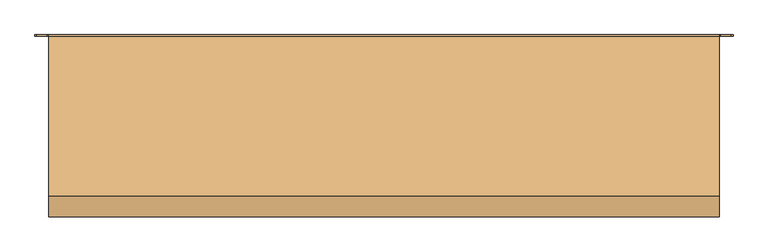
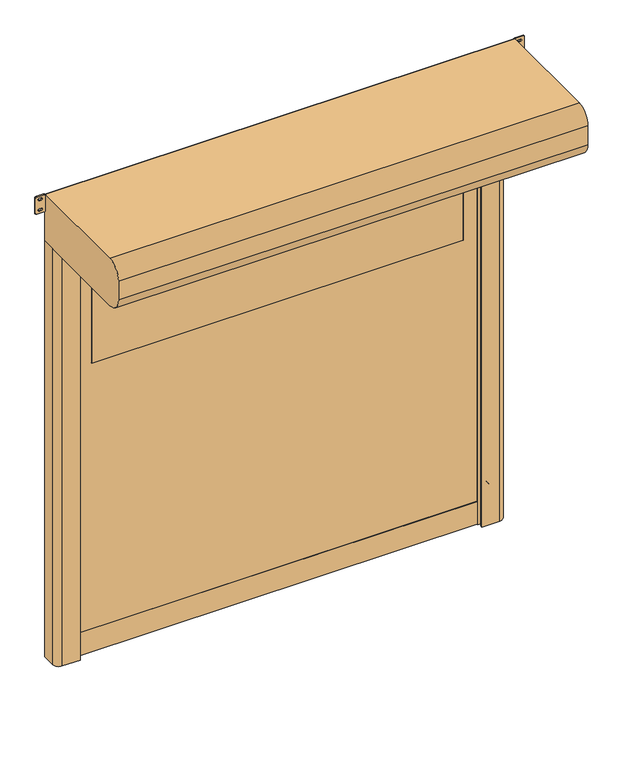
"""IFC4 building model written with IfcOpenShell, lengths in millimetres: door geometry."""

from ifc_helpers import new_model, si_unit, point, frame, frame_2d, origin, origin_with_axes, place, context, project, spatial, polyline, circle_curve, trimmed, segment, composite_curve, outline, extrude, source, transform, mapped, element, save


def door_111b3a7b(model_context):
    return source(origin(), model_context, "Body", "SweptSolid", [
        extrude(outline(composite_curve([segment(trimmed(circle_curve(frame_2d((1416.6666667, 1064.0)), 6.0), [point((1422.6666667, 1064.0))], [point((1410.6666667, 1064.0))], False, "CARTESIAN"), True, "CONTINUOUS"), segment(polyline([(1410.6666667, 1064.0), (1410.6666667, 1082.0)]), True, "CONTINUOUS"), segment(trimmed(circle_curve(frame_2d((1416.6666667, 1082.0)), 6.0), [point((1410.6666667, 1082.0))], [point((1422.6666667, 1082.0))], False, "CARTESIAN"), True, "CONTINUOUS"), segment(polyline([(1422.6666667, 1082.0), (1422.6666667, 1064.0)]), True, "CONTINUOUS")], self_intersect=False)), frame((0.0, -20.0, 0.0), z_axis=(0.0, 1.0, 0.0), x_axis=(0.0, 0.0, 1.0)), (0.0, 0.0, 1.0), 20.0),
        extrude(outline(composite_curve([segment(trimmed(circle_curve(frame_2d((783.3333333, 1064.0)), 6.0), [point((789.3333333, 1064.0))], [point((777.3333333, 1064.0))], False, "CARTESIAN"), True, "CONTINUOUS"), segment(polyline([(777.3333333, 1064.0), (777.3333333, 1082.0)]), True, "CONTINUOUS"), segment(trimmed(circle_curve(frame_2d((783.3333333, 1082.0)), 6.0), [point((777.3333333, 1082.0))], [point((789.3333333, 1082.0))], False, "CARTESIAN"), True, "CONTINUOUS"), segment(polyline([(789.3333333, 1082.0), (789.3333333, 1064.0)]), True, "CONTINUOUS")], self_intersect=False)), frame((0.0, -20.0, 0.0), z_axis=(0.0, 1.0, 0.0), x_axis=(0.0, 0.0, 1.0)), (0.0, 0.0, 1.0), 20.0),
        extrude(outline(composite_curve([segment(trimmed(circle_curve(frame_2d((2050.0, 1064.0)), 6.0), [point((2056.0, 1064.0))], [point((2044.0, 1064.0))], False, "CARTESIAN"), True, "CONTINUOUS"), segment(polyline([(2044.0, 1064.0), (2044.0, 1082.0)]), True, "CONTINUOUS"), segment(trimmed(circle_curve(frame_2d((2050.0, 1082.0)), 6.0), [point((2044.0, 1082.0))], [point((2056.0, 1082.0))], False, "CARTESIAN"), True, "CONTINUOUS"), segment(polyline([(2056.0, 1082.0), (2056.0, 1064.0)]), True, "CONTINUOUS")], self_intersect=False)), frame((0.0, -20.0, 0.0), z_axis=(0.0, 1.0, 0.0), x_axis=(0.0, 0.0, 1.0)), (0.0, 0.0, 1.0), 20.0),
        extrude(outline(composite_curve([segment(trimmed(circle_curve(frame_2d((150.0, 1064.0)), 6.0), [point((156.0, 1064.0))], [point((144.0, 1064.0))], False, "CARTESIAN"), True, "CONTINUOUS"), segment(polyline([(144.0, 1064.0), (144.0, 1082.0)]), True, "CONTINUOUS"), segment(trimmed(circle_curve(frame_2d((150.0, 1082.0)), 6.0), [point((144.0, 1082.0))], [point((156.0, 1082.0))], False, "CARTESIAN"), True, "CONTINUOUS"), segment(polyline([(156.0, 1082.0), (156.0, 1064.0)]), True, "CONTINUOUS")], self_intersect=False)), frame((0.0, -20.0, 0.0), z_axis=(0.0, 1.0, 0.0), x_axis=(0.0, 0.0, 1.0)), (0.0, 0.0, 1.0), 20.0),
        extrude(outline(composite_curve([segment(polyline([(1422.6666667, -1064.0), (1422.6666667, -1082.0)]), True, "CONTINUOUS"), segment(trimmed(circle_curve(frame_2d((1416.6666667, -1082.0)), 6.0), [point((1422.6666667, -1082.0))], [point((1410.6666667, -1082.0))], False, "CARTESIAN"), True, "CONTINUOUS"), segment(polyline([(1410.6666667, -1082.0), (1410.6666667, -1064.0)]), True, "CONTINUOUS"), segment(trimmed(circle_curve(frame_2d((1416.6666667, -1064.0)), 6.0), [point((1410.6666667, -1064.0))], [point((1422.6666667, -1064.0))], False, "CARTESIAN"), True, "CONTINUOUS")], self_intersect=False)), frame((0.0, -20.0, 0.0), z_axis=(0.0, 1.0, 0.0), x_axis=(0.0, 0.0, 1.0)), (0.0, 0.0, 1.0), 20.0),
        extrude(outline(composite_curve([segment(polyline([(789.3333333, -1064.0), (789.3333333, -1082.0)]), True, "CONTINUOUS"), segment(trimmed(circle_curve(frame_2d((783.3333333, -1082.0)), 6.0), [point((789.3333333, -1082.0))], [point((777.3333333, -1082.0))], False, "CARTESIAN"), True, "CONTINUOUS"), segment(polyline([(777.3333333, -1082.0), (777.3333333, -1064.0)]), True, "CONTINUOUS"), segment(trimmed(circle_curve(frame_2d((783.3333333, -1064.0)), 6.0), [point((777.3333333, -1064.0))], [point((789.3333333, -1064.0))], False, "CARTESIAN"), True, "CONTINUOUS")], self_intersect=False)), frame((0.0, -20.0, 0.0), z_axis=(0.0, 1.0, 0.0), x_axis=(0.0, 0.0, 1.0)), (0.0, 0.0, 1.0), 20.0),
        extrude(outline(composite_curve([segment(polyline([(2056.0, -1064.0), (2056.0, -1082.0)]), True, "CONTINUOUS"), segment(trimmed(circle_curve(frame_2d((2050.0, -1082.0)), 6.0), [point((2056.0, -1082.0))], [point((2044.0, -1082.0))], False, "CARTESIAN"), True, "CONTINUOUS"), segment(polyline([(2044.0, -1082.0), (2044.0, -1064.0)]), True, "CONTINUOUS"), segment(trimmed(circle_curve(frame_2d((2050.0, -1064.0)), 6.0), [point((2044.0, -1064.0))], [point((2056.0, -1064.0))], False, "CARTESIAN"), True, "CONTINUOUS")], self_intersect=False)), frame((0.0, -20.0, 0.0), z_axis=(0.0, 1.0, 0.0), x_axis=(0.0, 0.0, 1.0)), (0.0, 0.0, 1.0), 20.0),
        extrude(outline(composite_curve([segment(polyline([(156.0, -1064.0), (156.0, -1082.0)]), True, "CONTINUOUS"), segment(trimmed(circle_curve(frame_2d((150.0, -1082.0)), 6.0), [point((156.0, -1082.0))], [point((144.0, -1082.0))], False, "CARTESIAN"), True, "CONTINUOUS"), segment(polyline([(144.0, -1082.0), (144.0, -1064.0)]), True, "CONTINUOUS"), segment(trimmed(circle_curve(frame_2d((150.0, -1064.0)), 6.0), [point((144.0, -1064.0))], [point((156.0, -1064.0))], False, "CARTESIAN"), True, "CONTINUOUS")], self_intersect=False)), frame((0.0, -20.0, 0.0), z_axis=(0.0, 1.0, 0.0), x_axis=(0.0, 0.0, 1.0)), (0.0, 0.0, 1.0), 20.0),
        extrude(outline(composite_curve([segment(trimmed(circle_curve(frame_2d((1526.0, 929.0)), 1.0), [point((1525.0, 929.0))], [point((1526.0, 930.0))], False, "CARTESIAN"), True, "CONTINUOUS"), segment(polyline([(1526.0, 930.0), (2024.0, 930.0)]), True, "CONTINUOUS"), segment(trimmed(circle_curve(frame_2d((2024.0, 929.0)), 1.0), [point((2024.0, 930.0))], [point((2025.0, 929.0))], False, "CARTESIAN"), True, "CONTINUOUS"), segment(polyline([(2025.0, 929.0), (2025.0, -929.0)]), True, "CONTINUOUS"), segment(trimmed(circle_curve(frame_2d((2024.0, -929.0)), 1.0), [point((2025.0, -929.0))], [point((2024.0, -930.0))], False, "CARTESIAN"), True, "CONTINUOUS"), segment(polyline([(2024.0, -930.0), (1526.0, -930.0)]), True, "CONTINUOUS"), segment(trimmed(circle_curve(frame_2d((1526.0, -929.0)), 1.0), [point((1526.0, -930.0))], [point((1525.0, -929.0))], False, "CARTESIAN"), True, "CONTINUOUS"), segment(polyline([(1525.0, -929.0), (1525.0, 929.0)]), True, "CONTINUOUS")], self_intersect=False)), frame((0.0, -68.5, 0.0), z_axis=(0.0, 1.0, 0.0), x_axis=(0.0, 0.0, 1.0)), (0.0, 0.0, 1.0), 7.0),
        extrude(outline(polyline([(120.0, -1012.0), (120.0, 1012.0), (2325.0, 1012.0), (2325.0, -1012.0), (120.0, -1012.0)]), holes=[composite_curve([segment(trimmed(circle_curve(frame_2d((1526.0, 929.0)), 1.0), [point((1526.0, 930.0))], [point((1525.0, 929.0))], True, "CARTESIAN"), True, "CONTINUOUS"), segment(polyline([(1525.0, 929.0), (1525.0, -929.0)]), True, "CONTINUOUS"), segment(trimmed(circle_curve(frame_2d((1526.0, -929.0)), 1.0), [point((1525.0, -929.0))], [point((1526.0, -930.0))], True, "CARTESIAN"), True, "CONTINUOUS"), segment(polyline([(1526.0, -930.0), (2024.0, -930.0)]), True, "CONTINUOUS"), segment(trimmed(circle_curve(frame_2d((2024.0, -929.0)), 1.0), [point((2024.0, -930.0))], [point((2025.0, -929.0))], True, "CARTESIAN"), True, "CONTINUOUS"), segment(polyline([(2025.0, -929.0), (2025.0, 929.0)]), True, "CONTINUOUS"), segment(trimmed(circle_curve(frame_2d((2024.0, 929.0)), 1.0), [point((2025.0, 929.0))], [point((2024.0, 930.0))], True, "CARTESIAN"), True, "CONTINUOUS"), segment(polyline([(2024.0, 930.0), (1526.0, 930.0)]), True, "CONTINUOUS")], self_intersect=False)]), frame((0.0, -68.5, 0.0), z_axis=(0.0, 1.0, 0.0), x_axis=(0.0, 0.0, 1.0)), (0.0, 0.0, 1.0), 7.0),
        extrude(outline(polyline([(-1012.0, -59.5), (1012.0, -59.5), (1012.0, -70.5), (-1012.0, -70.5), (-1012.0, -59.5)])), origin_with_axes(), (0.0, 0.0, 1.0), 120.0),
        extrude(outline(composite_curve([segment(trimmed(circle_curve(frame_2d((2363.75, 1230.75)), 5.75), [point((2363.75, 1225.0))], [point((2358.0, 1230.75))], False, "CARTESIAN"), True, "CONTINUOUS"), segment(polyline([(2358.0, 1230.75), (2358.0, 1268.25)]), True, "CONTINUOUS"), segment(trimmed(circle_curve(frame_2d((2363.75, 1268.25)), 5.75), [point((2358.0, 1268.25))], [point((2363.75, 1274.0))], False, "CARTESIAN"), True, "CONTINUOUS"), segment(polyline([(2363.75, 1274.0), (2444.25, 1274.0)]), True, "CONTINUOUS"), segment(trimmed(circle_curve(frame_2d((2444.25, 1268.25)), 5.75), [point((2444.25, 1274.0))], [point((2450.0, 1268.25))], False, "CARTESIAN"), True, "CONTINUOUS"), segment(polyline([(2450.0, 1268.25), (2450.0, 1230.75)]), True, "CONTINUOUS"), segment(trimmed(circle_curve(frame_2d((2444.25, 1230.75)), 5.75), [point((2450.0, 1230.75))], [point((2444.25, 1225.0))], False, "CARTESIAN"), True, "CONTINUOUS"), segment(polyline([(2444.25, 1225.0), (2363.75, 1225.0)]), True, "CONTINUOUS")], self_intersect=False), holes=[composite_curve([segment(trimmed(circle_curve(frame_2d((2431.5, 1253.75)), 5.75), [point((2437.25, 1253.75))], [point((2425.75, 1253.75))], True, "CARTESIAN"), True, "CONTINUOUS"), segment(polyline([(2425.75, 1253.75), (2425.75, 1245.25)]), True, "CONTINUOUS"), segment(trimmed(circle_curve(frame_2d((2431.5, 1245.25)), 5.75), [point((2425.75, 1245.25))], [point((2437.25, 1245.25))], True, "CARTESIAN"), True, "CONTINUOUS"), segment(polyline([(2437.25, 1245.25), (2437.25, 1253.75)]), True, "CONTINUOUS")], self_intersect=False), composite_curve([segment(trimmed(circle_curve(frame_2d((2376.5, 1253.75)), 5.75), [point((2382.25, 1253.75))], [point((2370.75, 1253.75))], True, "CARTESIAN"), True, "CONTINUOUS"), segment(polyline([(2370.75, 1253.75), (2370.75, 1245.25)]), True, "CONTINUOUS"), segment(trimmed(circle_curve(frame_2d((2376.5, 1245.25)), 5.75), [point((2370.75, 1245.25))], [point((2382.25, 1245.25))], True, "CARTESIAN"), True, "CONTINUOUS"), segment(polyline([(2382.25, 1245.25), (2382.25, 1253.75)]), True, "CONTINUOUS")], self_intersect=False)]), frame((0.0, -5.0, 0.0), z_axis=(0.0, 1.0, 0.0), x_axis=(0.0, 0.0, 1.0)), (0.0, 0.0, 1.0), 5.0),
        extrude(outline(composite_curve([segment(trimmed(circle_curve(frame_2d((2363.75, -1168.25)), 5.75), [point((2363.75, -1174.0))], [point((2358.0, -1168.25))], False, "CARTESIAN"), True, "CONTINUOUS"), segment(polyline([(2358.0, -1168.25), (2358.0, -1130.75)]), True, "CONTINUOUS"), segment(trimmed(circle_curve(frame_2d((2363.75, -1130.75)), 5.75), [point((2358.0, -1130.75))], [point((2363.75, -1125.0))], False, "CARTESIAN"), True, "CONTINUOUS"), segment(polyline([(2363.75, -1125.0), (2444.25, -1125.0)]), True, "CONTINUOUS"), segment(trimmed(circle_curve(frame_2d((2444.25, -1130.75)), 5.75), [point((2444.25, -1125.0))], [point((2450.0, -1130.75))], False, "CARTESIAN"), True, "CONTINUOUS"), segment(polyline([(2450.0, -1130.75), (2450.0, -1168.25)]), True, "CONTINUOUS"), segment(trimmed(circle_curve(frame_2d((2444.25, -1168.25)), 5.75), [point((2450.0, -1168.25))], [point((2444.25, -1174.0))], False, "CARTESIAN"), True, "CONTINUOUS"), segment(polyline([(2444.25, -1174.0), (2363.75, -1174.0)]), True, "CONTINUOUS")], self_intersect=False), holes=[composite_curve([segment(trimmed(circle_curve(frame_2d((2431.5, -1145.25)), 5.75), [point((2437.25, -1145.25))], [point((2425.75, -1145.25))], True, "CARTESIAN"), True, "CONTINUOUS"), segment(polyline([(2425.75, -1145.25), (2425.75, -1153.75)]), True, "CONTINUOUS"), segment(trimmed(circle_curve(frame_2d((2431.5, -1153.75)), 5.75), [point((2425.75, -1153.75))], [point((2437.25, -1153.75))], True, "CARTESIAN"), True, "CONTINUOUS"), segment(polyline([(2437.25, -1153.75), (2437.25, -1145.25)]), True, "CONTINUOUS")], self_intersect=False), composite_curve([segment(trimmed(circle_curve(frame_2d((2376.5, -1145.25)), 5.75), [point((2382.25, -1145.25))], [point((2370.75, -1145.25))], True, "CARTESIAN"), True, "CONTINUOUS"), segment(polyline([(2370.75, -1145.25), (2370.75, -1153.75)]), True, "CONTINUOUS"), segment(trimmed(circle_curve(frame_2d((2376.5, -1153.75)), 5.75), [point((2370.75, -1153.75))], [point((2382.25, -1153.75))], True, "CARTESIAN"), True, "CONTINUOUS"), segment(polyline([(2382.25, -1153.75), (2382.25, -1145.25)]), True, "CONTINUOUS")], self_intersect=False)]), frame((0.0, -5.0, 0.0), z_axis=(0.0, 1.0, 0.0), x_axis=(0.0, 0.0, 1.0)), (0.0, 0.0, 1.0), 5.0),
        extrude(outline(composite_curve([segment(polyline([(-1125.0, 0.0), (-1015.0, 0.0), (-1015.0, -49.2857143), (-1035.0, -55.0), (-1000.0, -55.0), (-1000.0, -61.5), (-1020.0, -61.5), (-1020.0, -68.5), (-1000.0, -68.5), (-1000.0, -75.0), (-1035.0, -75.0), (-1035.0, -90.0), (-1005.0, -90.0), (-1005.0, -100.0), (-1095.0, -100.0)]), True, "CONTINUOUS"), segment(trimmed(circle_curve(frame_2d((-1095.0, -70.0)), 30.0), [point((-1095.0, -100.0))], [point((-1125.0, -70.0))], False, "CARTESIAN"), True, "CONTINUOUS"), segment(polyline([(-1125.0, -70.0), (-1125.0, 0.0)]), True, "CONTINUOUS")], self_intersect=False)), origin_with_axes(), (0.0, 0.0, 1.0), 2200.0),
        extrude(outline(composite_curve([segment(polyline([(1125.0, 0.0), (1125.0, -70.0)]), True, "CONTINUOUS"), segment(trimmed(circle_curve(frame_2d((1095.0, -70.0)), 30.0), [point((1125.0, -70.0))], [point((1095.0, -100.0))], False, "CARTESIAN"), True, "CONTINUOUS"), segment(polyline([(1095.0, -100.0), (1005.0, -100.0), (1005.0, -90.0), (1035.0, -90.0), (1035.0, -75.0), (1000.0, -75.0), (1000.0, -68.5), (1020.0, -68.5), (1020.0, -61.5), (1000.0, -61.5), (1000.0, -55.0), (1035.0, -55.0), (1015.0, -49.2857143), (1015.0, 0.0), (1125.0, 0.0)]), True, "CONTINUOUS")], self_intersect=False)), origin_with_axes(), (0.0, 0.0, 1.0), 2200.0),
        extrude(outline(composite_curve([segment(trimmed(circle_curve(frame_2d((-5.0, 2205.0)), 5.0), [point((0.0, 2205.0))], [point((-5.0, 2200.0))], False, "CARTESIAN"), True, "CONTINUOUS"), segment(polyline([(-5.0, 2200.0), (-565.0, 2200.0)]), True, "CONTINUOUS"), segment(trimmed(circle_curve(frame_2d((-565.0, 2275.0)), 75.0), [point((-565.0, 2200.0))], [point((-640.0, 2275.0))], False, "CARTESIAN"), True, "CONTINUOUS"), segment(polyline([(-640.0, 2275.0), (-640.0, 2375.0)]), True, "CONTINUOUS"), segment(trimmed(circle_curve(frame_2d((-565.0, 2375.0)), 75.0), [point((-640.0, 2375.0))], [point((-565.0, 2450.0))], False, "CARTESIAN"), True, "CONTINUOUS"), segment(polyline([(-565.0, 2450.0), (-5.0, 2450.0)]), True, "CONTINUOUS"), segment(trimmed(circle_curve(frame_2d((-5.0, 2445.0)), 5.0), [point((-5.0, 2450.0))], [point((0.0, 2445.0))], False, "CARTESIAN"), True, "CONTINUOUS"), segment(polyline([(0.0, 2445.0), (0.0, 2205.0)]), True, "CONTINUOUS")], self_intersect=False)), frame((-1125.0, 0.0, 0.0), z_axis=(1.0, 0.0, 0.0), x_axis=(0.0, 1.0, 0.0)), (0.0, 0.0, 1.0), 2350.0),
    ])


if __name__ == "__main__":
    model = new_model("IFC4")
    model_context = context("Model", 3, world=origin())
    ifc_project = project(units=[si_unit("LENGTHUNIT", "METRE", prefix="MILLI")], contexts=[model_context])
    site = spatial("IfcSite", under=ifc_project)
    building = spatial("IfcBuilding", under=site)
    placement = place(None, origin())
    door_shape = door_111b3a7b(model_context)
    element("IfcDoor", 1, at=placement, inside=building, context=model_context, shape_type="MappedRepresentation", body=[
        mapped(door_shape, transform((0.0, 0.0, 0.0), x_axis=(1.0, 0.0, 0.0), y_axis=(0.0, 1.0, 0.0), z_axis=(0.0, 0.0, 1.0))),
    ])
    save(model, "model.ifc")
